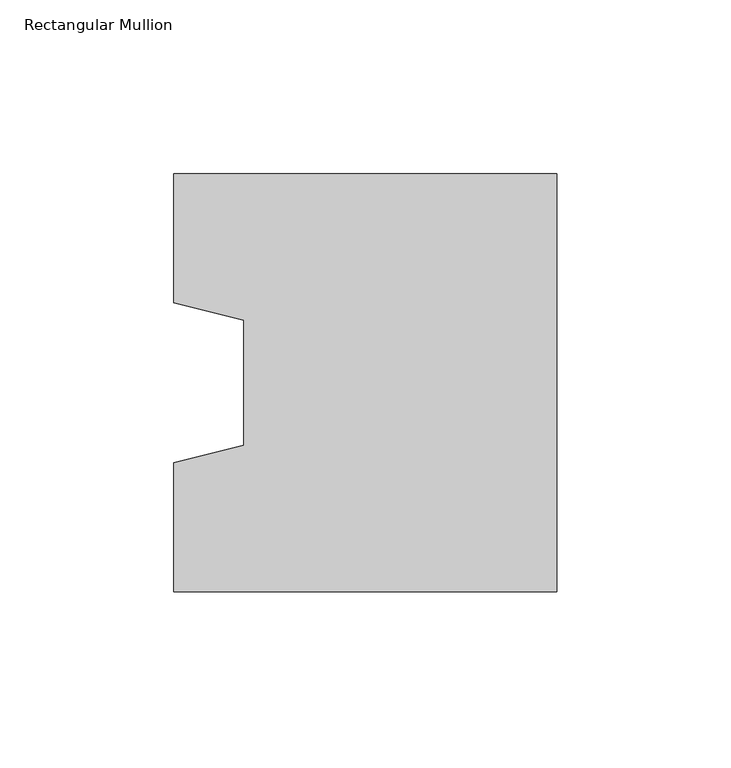
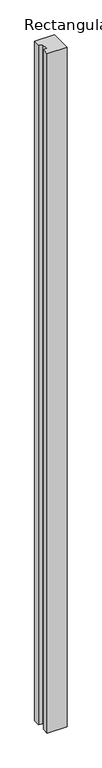
"""IFC4 building model written with IfcOpenShell, lengths in millimetres: column geometry, Rectangular Mullion."""

import ifcopenshell
import ifcopenshell.guid

model = None  # the IFC model being written
_history = None  # IfcOwnerHistory: only IFC2X3 demands one
_inside = {}  # id of a spatial element -> (the spatial element, [elements in it])
_under = {}  # id of a project, library or spatial element -> (it, [spatial elements below it])
_declared = {}  # id of a project -> (the project, [libraries it declares])
_typed = {}  # id of a type object -> (the type object, [elements of that type])
_made_of = {}  # id of a material, layer set ... -> (it, [elements and type objects made of it])


def new_model(schema):
    """Start an empty IFC model of exactly this schema.

    Asked for "IFC4X3", IfcOpenShell would pick the latest addendum, in which some entities
    have other attributes; the version numbers below select the first issue.
    IFC2X3 requires an IfcOwnerHistory on every rooted entity: one is made here for all.
    """
    global model, _history
    if schema == "IFC4X3":
        model = ifcopenshell.file(schema_version=(4, 3, 0, 0))
    else:
        model = ifcopenshell.file(schema=schema)
    _inside.clear()
    _under.clear()
    _declared.clear()
    _typed.clear()
    _made_of.clear()
    _history = None
    if model.schema == "IFC2X3":
        org = make("IfcOrganization", Name="unknown")
        user = make(
            "IfcPersonAndOrganization",
            ThePerson=make("IfcPerson", FamilyName="unknown"),
            TheOrganization=org,
        )
        app = make(
            "IfcApplication",
            ApplicationDeveloper=org,
            Version="unknown",
            ApplicationFullName="unknown",
            ApplicationIdentifier="unknown",
        )
        _history = make(
            "IfcOwnerHistory",
            OwningUser=user,
            OwningApplication=app,
            ChangeAction="ADDED",
            CreationDate=0,
        )
    return model


def make(cls, **values):
    """One entity of the class cls with the attributes given. An attribute that is None is left unset."""
    return model.create_entity(
        cls, **{name: value for name, value in values.items() if value is not None}
    )


def rooted(cls, **values):
    """An entity with a GlobalId (a new one), such as an element, a storey or a relation."""
    return make(cls, GlobalId=ifcopenshell.guid.new(), OwnerHistory=_history, **values)


def si_unit(unit_type, name, prefix=None):
    """IfcSIUnit, for example si_unit("LENGTHUNIT", "METRE", prefix="MILLI")."""
    return make("IfcSIUnit", UnitType=unit_type, Prefix=prefix, Name=name)


def assignment(units):
    """IfcUnitAssignment: the units of a project."""
    return None if units is None else make("IfcUnitAssignment", Units=units)


def point(xyz):
    """IfcCartesianPoint."""
    return None if xyz is None else make("IfcCartesianPoint", Coordinates=xyz)


def direction(xyz):
    """IfcDirection."""
    return None if xyz is None else make("IfcDirection", DirectionRatios=xyz)


def frame(location, z_axis=None, x_axis=None):
    """IfcAxis2Placement3D, a coordinate frame: its origin and axes. An axis left out is left unset."""
    return make(
        "IfcAxis2Placement3D",
        Location=point(location),
        Axis=direction(z_axis),
        RefDirection=direction(x_axis),
    )


def origin():
    """The frame at (0, 0, 0) with its axes left unset."""
    return frame((0.0, 0.0, 0.0))


def place(relative_to, where):
    """IfcLocalPlacement: puts the frame where relative to a parent placement (None: the world)."""
    return make(
        "IfcLocalPlacement", PlacementRelTo=relative_to, RelativePlacement=where
    )


def context(
    kind, dimensions, precision=None, world=None, true_north=None, identifier=None
):
    """IfcGeometricRepresentationContext, for example the 3D "Model" context."""
    return make(
        "IfcGeometricRepresentationContext",
        ContextIdentifier=identifier,
        ContextType=kind,
        CoordinateSpaceDimension=dimensions,
        Precision=precision,
        WorldCoordinateSystem=world,
        TrueNorth=true_north,
    )


def project(units=None, contexts=None):
    """IfcProject with its units and contexts."""
    return rooted(
        "IfcProject",
        Name="project",
        RepresentationContexts=contexts,
        UnitsInContext=assignment(units),
    )


def spatial(cls, under=None, at=None, **own):
    """A site, building, storey or space (cls), placed at a placement, below another one or the project."""
    s = rooted(cls, ObjectPlacement=at, **own)
    if under is not None:
        _under.setdefault(under.id(), (under, []))[1].append(s)
    return s


def polyline(points):
    """IfcPolyline through the points."""
    return make("IfcPolyline", Points=[point(p) for p in points])


def outline(outer, holes=None, kind="AREA"):
    """IfcArbitraryClosedProfileDef: a profile drawn as a closed curve; with holes, ...WithVoids."""
    if holes is None:
        return make("IfcArbitraryClosedProfileDef", ProfileType=kind, OuterCurve=outer)
    return make(
        "IfcArbitraryProfileDefWithVoids",
        ProfileType=kind,
        OuterCurve=outer,
        InnerCurves=holes,
    )


def extrude(swept, where, along, depth):
    """IfcExtrudedAreaSolid: the profile swept, set in the frame where, extruded along a direction by depth."""
    return make(
        "IfcExtrudedAreaSolid",
        SweptArea=swept,
        Position=where,
        ExtrudedDirection=direction(along),
        Depth=depth,
    )


def shape(context_of_items, identifier, shape_type, items):
    """IfcShapeRepresentation: the items that make up one representation, for example the "Body"."""
    return make(
        "IfcShapeRepresentation",
        ContextOfItems=context_of_items,
        RepresentationIdentifier=identifier,
        RepresentationType=shape_type,
        Items=items,
    )


def source(mapping_origin, context_of_items, identifier, shape_type, items):
    """IfcRepresentationMap: a shape defined once, which mapped items show again and again."""
    return make(
        "IfcRepresentationMap",
        MappingOrigin=mapping_origin,
        MappedRepresentation=shape(context_of_items, identifier, shape_type, items),
    )


def transform(
    local_origin,
    x_axis=None,
    y_axis=None,
    z_axis=None,
    scale=None,
    scale2=None,
    scale3=None,
    uniform=True,
):
    """IfcCartesianTransformationOperator3D, or its non-uniform kind. x_axis, y_axis, z_axis: its Axis1, 2, 3."""
    if uniform:
        return make(
            "IfcCartesianTransformationOperator3D",
            Axis1=direction(x_axis),
            Axis2=direction(y_axis),
            LocalOrigin=point(local_origin),
            Scale=scale,
            Axis3=direction(z_axis),
        )
    return make(
        "IfcCartesianTransformationOperator3DnonUniform",
        Axis1=direction(x_axis),
        Axis2=direction(y_axis),
        LocalOrigin=point(local_origin),
        Scale=scale,
        Axis3=direction(z_axis),
        Scale2=scale2,
        Scale3=scale3,
    )


def mapped(mapping_source, mapping_target):
    """IfcMappedItem: shows the shape of a source again, moved by a transform."""
    return make(
        "IfcMappedItem", MappingSource=mapping_source, MappingTarget=mapping_target
    )


def made_of(thing, what):
    """Note that an element or type object is made of a material, layer set ...; save() writes the relation."""
    if what is not None:
        _made_of.setdefault(what.id(), (what, []))[1].append(thing)
    return thing


def element(
    cls,
    number,
    at=None,
    inside=None,
    cuts=None,
    type_object=None,
    material=None,
    context=None,
    identifier="Body",
    shape_type=None,
    held_by="IfcProductDefinitionShape",
    body=None,
    shapes=None,
    **own,
):
    """One element of the class cls, such as IfcWall. Its Tag is "e" and its number.

    at: its placement. inside: the storey or other place that contains it. cuts: it is an
    opening in that element (IfcRelVoidsElement). A single representation is given by context,
    identifier, shape_type and body (its items); several are given by shapes. held_by: the class
    of the entity that holds the representations. save() writes the other relations.
    """
    e = rooted(cls, Tag="e%d" % number, ObjectPlacement=at, **own)
    if body is not None:
        shapes = [shape(context, identifier, shape_type, body)]
    if shapes is not None:
        e.Representation = make(held_by, Representations=shapes)
    if inside is not None:
        _inside.setdefault(inside.id(), (inside, []))[1].append(e)
    if cuts is not None:
        rooted(
            "IfcRelVoidsElement", RelatingBuildingElement=cuts, RelatedOpeningElement=e
        )
    if type_object is not None:
        _typed.setdefault(type_object.id(), (type_object, []))[1].append(e)
    return made_of(e, material)


def aggregate(whole, parts):
    """IfcRelAggregates: a whole, such as a stair, and the parts it consists of."""
    return rooted("IfcRelAggregates", RelatingObject=whole, RelatedObjects=parts)


def save(model, path):
    """Write the relations noted so far, then the file.

    IfcRelAggregates (storeys below a building ...), IfcRelContainedInSpatialStructure (elements
    in a storey), IfcRelDefinesByType, IfcRelAssociatesMaterial and IfcRelDeclares: one each for
    every whole, place, type object, material and project.
    """
    for whole, parts in _under.values():
        aggregate(whole, parts)
    for where, things in _inside.values():
        rooted(
            "IfcRelContainedInSpatialStructure",
            RelatedElements=things,
            RelatingStructure=where,
        )
    for kind, things in _typed.values():
        rooted("IfcRelDefinesByType", RelatedObjects=things, RelatingType=kind)
    for what, things in _made_of.values():
        rooted("IfcRelAssociatesMaterial", RelatedObjects=things, RelatingMaterial=what)
    for by, libraries in _declared.values():
        rooted("IfcRelDeclares", RelatingContext=by, RelatedDefinitions=libraries)
    model.write(path)


def rectangular_mullion_224e010a(model_context):
    return source(origin(), model_context, "Body", "SweptSolid", [
        extrude(outline(polyline([(-110.0, -60.0), (-110.0, -23.0), (-90.0, -18.0), (-90.0, 18.0), (-110.0, 23.0), (-110.0, 60.0), (0.0, 60.0), (0.0, -60.0), (-110.0, -60.0)])), frame((0.0, 0.0, -4000.0), z_axis=(0.0, 0.0, 1.0), x_axis=(1.0, 0.0, 0.0)), (0.0, 0.0, 1.0), 4000.0),
    ])


if __name__ == "__main__":
    model = new_model("IFC4")
    model_context = context("Model", 3, world=origin())
    ifc_project = project(units=[si_unit("LENGTHUNIT", "METRE", prefix="MILLI")], contexts=[model_context])
    site = spatial("IfcSite", under=ifc_project)
    building = spatial("IfcBuilding", under=site)
    placement = place(None, origin())
    rectangular_mullion_shape = rectangular_mullion_224e010a(model_context)
    element("IfcColumn", 1, ObjectType="Rectangular Mullion", at=placement, inside=building, context=model_context, shape_type="MappedRepresentation", body=[
        mapped(rectangular_mullion_shape, transform((0.0, 0.0, 0.0), x_axis=(1.0, 0.0, 0.0), y_axis=(0.0, 1.0, 0.0), z_axis=(0.0, 0.0, 1.0))),
    ])
    save(model, "model.ifc")
